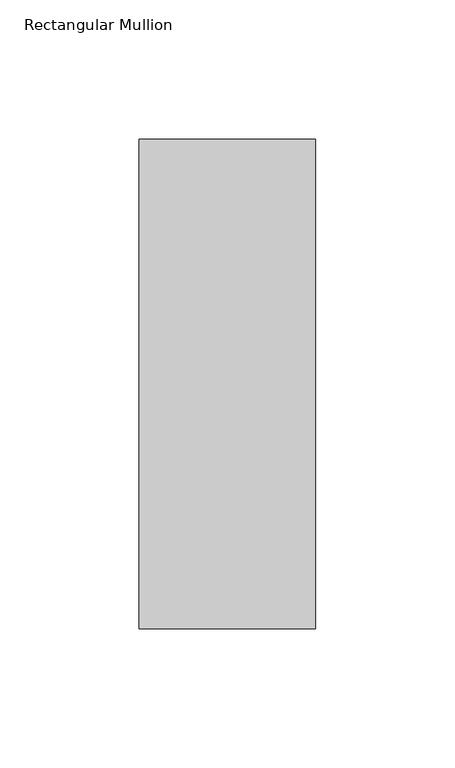
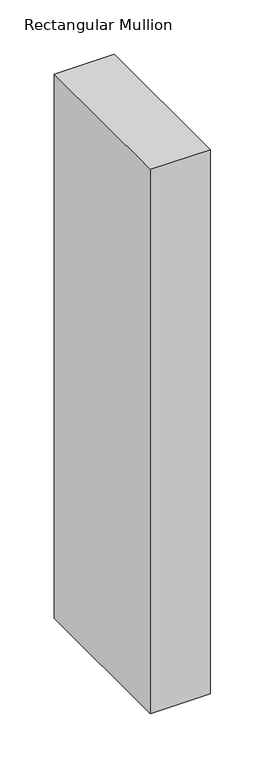
"""IFC4 building model written with IfcOpenShell, lengths in millimetres: member geometry, Rectangular Mullion."""

from ifc_helpers import new_model, si_unit, frame, origin, place, context, project, spatial, polyline, outline, extrude, source, transform, mapped, element, save


def rectangular_mullion_814bd012(model_context):
    return source(origin(), model_context, "Body", "SweptSolid", [
        extrude(outline(polyline([(-63.5, 222.5381313), (0.0, 222.5381313), (0.0, 46.7447302), (-63.5, 46.7447302), (-63.5, 222.5381313)])), frame((0.0, 0.0, -609.6), z_axis=(0.0, 0.0, 1.0), x_axis=(1.0, 0.0, 0.0)), (0.0, 0.0, 1.0), 609.6),
    ])


if __name__ == "__main__":
    model = new_model("IFC4")
    model_context = context("Model", 3, world=origin())
    ifc_project = project(units=[si_unit("LENGTHUNIT", "METRE", prefix="MILLI")], contexts=[model_context])
    site = spatial("IfcSite", under=ifc_project)
    building = spatial("IfcBuilding", under=site)
    placement = place(None, origin())
    rectangular_mullion_shape = rectangular_mullion_814bd012(model_context)
    element("IfcMember", 1, ObjectType="Rectangular Mullion", at=placement, inside=building, context=model_context, shape_type="MappedRepresentation", body=[
        mapped(rectangular_mullion_shape, transform((0.0, 0.0, 0.0), x_axis=(1.0, 0.0, 0.0), y_axis=(0.0, 1.0, 0.0), z_axis=(0.0, 0.0, 1.0))),
    ])
    save(model, "model.ifc")
